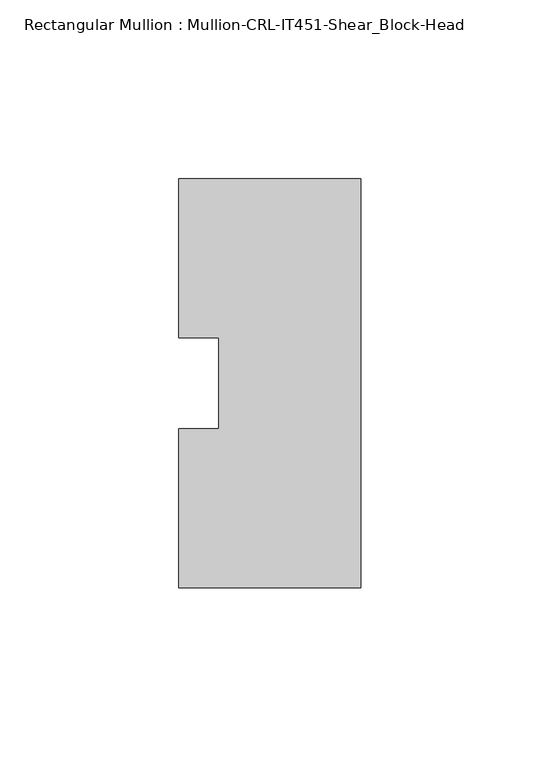
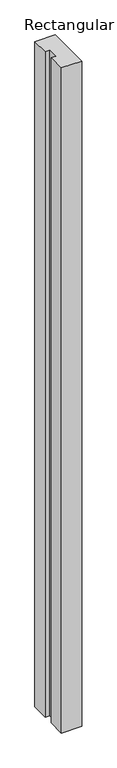
"""IFC4 building model written with IfcOpenShell, lengths in millimetres: member geometry, Rectangular Mullion : Mullion-CRL-IT451-Shear_Block-Head."""

from ifc_helpers import new_model, si_unit, frame, origin, place, context, project, spatial, polyline, outline, extrude, source, transform, mapped, element, save


def rectangular_mullion_mullion_crl_it451_shear_block_head_48591b6a(model_context):
    return source(origin(), model_context, "Body", "SweptSolid", [
        extrude(outline(polyline([(0.0, -57.1909821), (-50.8, -57.1909821), (-50.8, -12.7), (-39.6875, -12.7), (-39.6875, 12.7), (-50.8, 12.7), (-50.8, 57.1090179), (0.0, 57.1090179), (0.0, -57.1909821)])), frame((0.0, 0.0, -1752.6), z_axis=(0.0, 0.0, 1.0), x_axis=(1.0, 0.0, 0.0)), (0.0, 0.0, 1.0), 1752.6),
    ])


if __name__ == "__main__":
    model = new_model("IFC4")
    model_context = context("Model", 3, world=origin())
    ifc_project = project(units=[si_unit("LENGTHUNIT", "METRE", prefix="MILLI")], contexts=[model_context])
    site = spatial("IfcSite", under=ifc_project)
    building = spatial("IfcBuilding", under=site)
    placement = place(None, origin())
    rectangular_mullion_mullion_crl_it451_shear_block_head_shape = rectangular_mullion_mullion_crl_it451_shear_block_head_48591b6a(model_context)
    element("IfcMember", 1, ObjectType="Rectangular Mullion : Mullion-CRL-IT451-Shear_Block-Head", at=placement, inside=building, context=model_context, shape_type="MappedRepresentation", body=[
        mapped(rectangular_mullion_mullion_crl_it451_shear_block_head_shape, transform((0.0, 0.0, 0.0), x_axis=(1.0, 0.0, 0.0), y_axis=(0.0, 1.0, 0.0), z_axis=(0.0, 0.0, 1.0))),
    ])
    save(model, "model.ifc")
